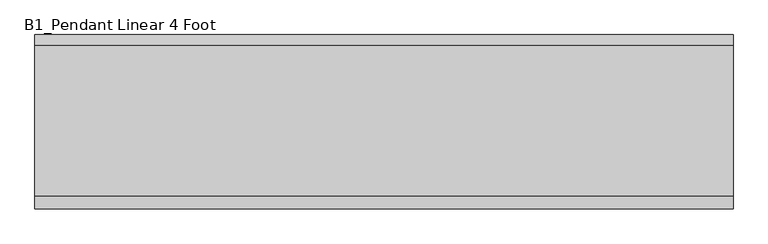
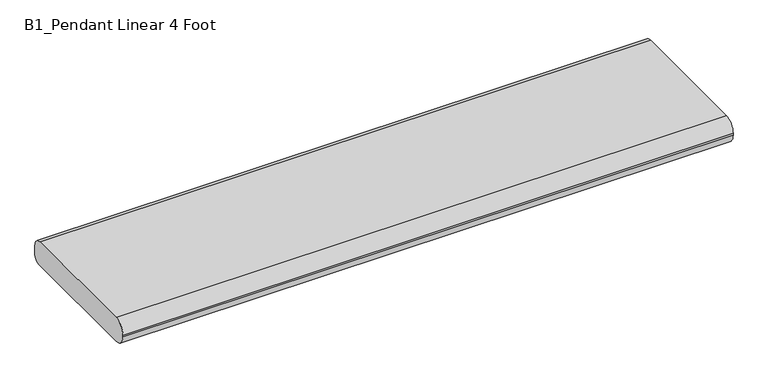
"""IFC4 building model written with IfcOpenShell, lengths in millimetres: light fixture geometry, B1_Pendant Linear 4 Foot."""

from ifc_helpers import new_model, si_unit, point, frame, frame_2d, origin, place, context, project, spatial, polyline, circle_curve, trimmed, segment, composite_curve, outline, extrude, source, transform, mapped, element, save


def b1_pendant_linear_4_foot_b3e88747(model_context):
    return source(origin(), model_context, "Body", "SweptSolid", [
        extrude(outline(composite_curve([segment(trimmed(circle_curve(frame_2d((133.35, 31.75)), 19.05), [point((133.35, 50.8))], [point((152.4, 31.75))], False, "CARTESIAN"), True, "CONTINUOUS"), segment(polyline([(152.4, 31.75), (152.4, 14.6641945)]), True, "CONTINUOUS"), segment(trimmed(circle_curve(frame_2d((137.7358055, 14.6641945)), 14.6641945), [point((152.4, 14.6641945))], [point((137.7358055, 0.0))], False, "CARTESIAN"), True, "CONTINUOUS"), segment(polyline([(137.7358055, 0.0), (-128.9641945, 0.0)]), True, "CONTINUOUS"), segment(trimmed(circle_curve(frame_2d((-128.9641945, 23.4358055)), 23.4358055), [point((-128.9641945, 0.0))], [point((-152.4, 23.4358055))], False, "CARTESIAN"), True, "CONTINUOUS"), segment(polyline([(-152.4, 23.4358055), (-152.4, 27.3641945)]), True, "CONTINUOUS"), segment(trimmed(circle_curve(frame_2d((-128.9641945, 27.3641945)), 23.4358055), [point((-152.4, 27.3641945))], [point((-128.9641945, 50.8))], False, "CARTESIAN"), True, "CONTINUOUS"), segment(polyline([(-128.9641945, 50.8), (133.35, 50.8)]), True, "CONTINUOUS")], self_intersect=False)), frame((-609.6, 0.0, 0.0), z_axis=(1.0, 0.0, 0.0), x_axis=(0.0, 1.0, 0.0)), (0.0, 0.0, 1.0), 1219.2),
    ])


if __name__ == "__main__":
    model = new_model("IFC4")
    model_context = context("Model", 3, world=origin())
    ifc_project = project(units=[si_unit("LENGTHUNIT", "METRE", prefix="MILLI")], contexts=[model_context])
    site = spatial("IfcSite", under=ifc_project)
    building = spatial("IfcBuilding", under=site)
    placement = place(None, origin())
    b1_pendant_linear_4_foot_shape = b1_pendant_linear_4_foot_b3e88747(model_context)
    element("IfcLightFixture", 1, ObjectType="B1_Pendant Linear 4 Foot", at=placement, inside=building, context=model_context, shape_type="MappedRepresentation", body=[
        mapped(b1_pendant_linear_4_foot_shape, transform((0.0, 0.0, 0.0), x_axis=(1.0, 0.0, 0.0), y_axis=(0.0, 1.0, 0.0), z_axis=(0.0, 0.0, 1.0))),
    ])
    save(model, "model.ifc")
